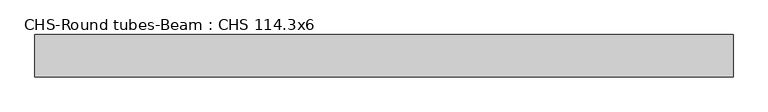
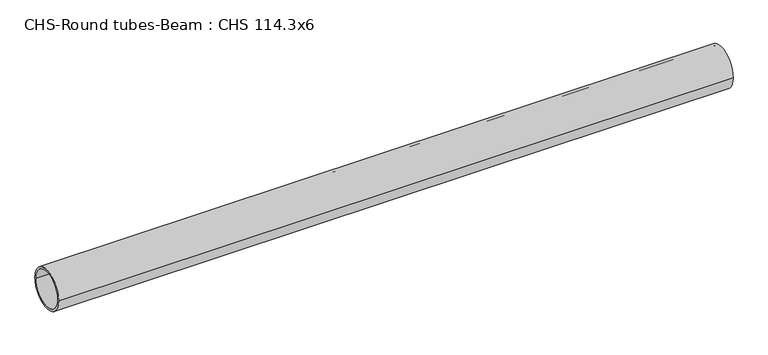
"""IFC4 building model written with IfcOpenShell, lengths in millimetres: beam geometry, CHS-Round tubes-Beam : CHS 114.3x6."""

from ifc_helpers import new_model, si_unit, point, frame, origin, origin_2d, place, context, project, spatial, circle_curve, trimmed, segment, composite_curve, outline, extrude, source, transform, mapped, element, save


def chs_round_tubes_beam_chs_114_3x6_01eebc76(model_context):
    return source(origin(), model_context, "Body", "SweptSolid", [
        extrude(outline(composite_curve([segment(trimmed(circle_curve(origin_2d(), 57.15), [point((57.15, 0.0))], [point((-57.15, 0.0))], False, "CARTESIAN"), True, "CONTINUOUS"), segment(trimmed(circle_curve(origin_2d(), 57.15), [point((-57.15, 0.0))], [point((57.15, 0.0))], False, "CARTESIAN"), True, "CONTINUOUS")], self_intersect=False), holes=[composite_curve([segment(trimmed(circle_curve(origin_2d(), 51.15), [point((51.15, 0.0))], [point((-51.15, 0.0))], True, "CARTESIAN"), True, "CONTINUOUS"), segment(trimmed(circle_curve(origin_2d(), 51.15), [point((-51.15, 0.0))], [point((51.15, 0.0))], True, "CARTESIAN"), True, "CONTINUOUS")], self_intersect=False)]), frame((-947.5736987, 0.0, 0.0), z_axis=(1.0, 0.0, 0.0), x_axis=(0.0, 1.0, 0.0)), (0.0, 0.0, 1.0), 1881.9077778),
    ])


if __name__ == "__main__":
    model = new_model("IFC4")
    model_context = context("Model", 3, world=origin())
    ifc_project = project(units=[si_unit("LENGTHUNIT", "METRE", prefix="MILLI")], contexts=[model_context])
    site = spatial("IfcSite", under=ifc_project)
    building = spatial("IfcBuilding", under=site)
    placement = place(None, origin())
    chs_round_tubes_beam_chs_114_3x6_shape = chs_round_tubes_beam_chs_114_3x6_01eebc76(model_context)
    element("IfcBeam", 1, ObjectType="CHS-Round tubes-Beam : CHS 114.3x6", at=placement, inside=building, context=model_context, shape_type="MappedRepresentation", body=[
        mapped(chs_round_tubes_beam_chs_114_3x6_shape, transform((0.0, 0.0, 0.0), x_axis=(1.0, 0.0, 0.0), y_axis=(0.0, 1.0, 0.0), z_axis=(0.0, 0.0, 1.0))),
    ])
    save(model, "model.ifc")
